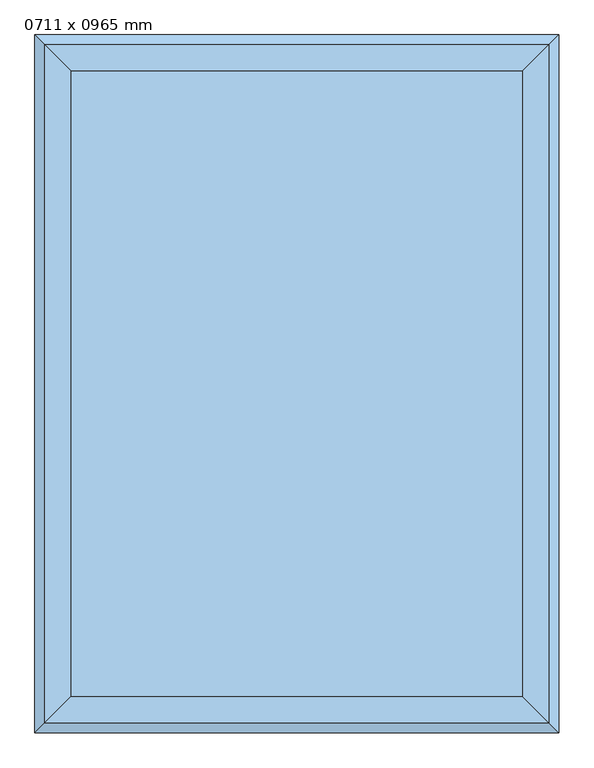
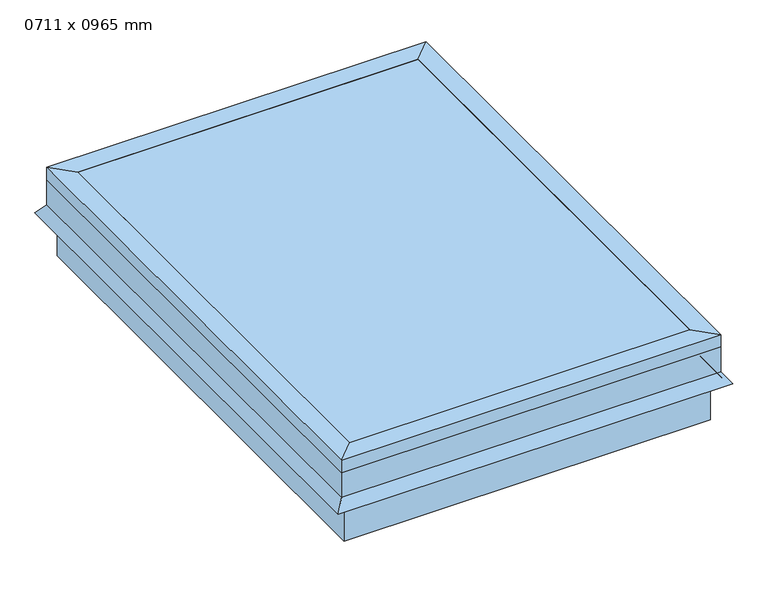
"""IFC4 building model written with IfcOpenShell, lengths in millimetres: window geometry, 0711 x 0965 mm."""

from ifc_helpers import new_model, si_unit, frame, origin, place, context, project, spatial, polyline, outline, extrude, faceted_brep, source, transform, mapped, element, save


def window_0711_x_0965_mm_1f585deb(model_context):
    return source(origin(), model_context, "Body", "SolidModel", [
        faceted_brep([(254.440073, 370.1040988, 4210.0), (279.840073, 395.5040988, 4210.0), (279.840073, -569.4959012, 4210.0), (254.440073, -544.0959012, 4210.0), (254.440073, 370.1040988, 4235.4), (254.440073, -544.0959012, 4235.4), (292.540073, 408.2040988, 4235.4), (292.540073, -582.1959012, 4235.4), (292.540073, 408.2040988, 4210.0), (292.540073, -582.1959012, 4210.0), (292.540073, 408.2040988, 4159.2), (292.540073, -582.1959012, 4159.2), (307.1089145, 422.7729403, 4138.3935381), (307.1089145, -596.7647427, 4138.3935381), (301.907299, 417.5713248, 4134.7513277), (301.907299, -591.5631272, 4134.7513277), (286.190073, 401.8540988, 4157.1978527), (286.190073, -575.8459012, 4157.1978527), (286.190073, 401.8540988, 4210.0), (286.190073, -575.8459012, 4210.0), (-431.159927, -569.4959012, 4210.0), (-405.759927, -544.0959012, 4210.0), (-405.759927, -544.0959012, 4235.4), (-443.859927, -582.1959012, 4235.4), (-443.859927, -582.1959012, 4210.0), (-443.859927, -582.1959012, 4159.2), (-458.4287685, -596.7647427, 4138.3935381), (-453.227153, -591.5631272, 4134.7513277), (-437.509927, -575.8459012, 4157.1978527), (-437.509927, -575.8459012, 4210.0), (-431.159927, 395.5040988, 4210.0), (-405.759927, 370.1040988, 4210.0), (-405.759927, 370.1040988, 4235.4), (-443.859927, 408.2040988, 4235.4), (-443.859927, 408.2040988, 4210.0), (-443.859927, 408.2040988, 4159.2), (-458.4287685, 422.7729403, 4138.3935381), (-453.227153, 417.5713248, 4134.7513277), (-437.509927, 401.8540988, 4157.1978527), (-437.509927, 401.8540988, 4210.0)], [[[0, 1, 2, 3]], [[4, 0, 3, 5]], [[6, 4, 5, 7]], [[8, 6, 7, 9]], [[10, 8, 9, 11]], [[12, 10, 11, 13]], [[14, 12, 13, 15]], [[16, 14, 15, 17]], [[18, 16, 17, 19]], [[1, 18, 19, 2]], [[3, 2, 20, 21]], [[5, 3, 21, 22]], [[7, 5, 22, 23]], [[9, 7, 23, 24]], [[11, 9, 24, 25]], [[13, 11, 25, 26]], [[15, 13, 26, 27]], [[17, 15, 27, 28]], [[19, 17, 28, 29]], [[2, 19, 29, 20]], [[21, 20, 30, 31]], [[22, 21, 31, 32]], [[23, 22, 32, 33]], [[24, 23, 33, 34]], [[25, 24, 34, 35]], [[26, 25, 35, 36]], [[27, 26, 36, 37]], [[28, 27, 37, 38]], [[29, 28, 38, 39]], [[20, 29, 39, 30]], [[31, 30, 1, 0]], [[32, 31, 0, 4]], [[33, 32, 4, 6]], [[34, 33, 6, 8]], [[35, 34, 8, 10]], [[36, 35, 10, 12]], [[37, 36, 12, 14]], [[38, 37, 14, 16]], [[39, 38, 16, 18]], [[30, 39, 18, 1]]]),
        faceted_brep([(279.840073, -569.4959012, 4210.0), (279.840073, -569.4959012, 4057.6), (279.840073, 395.5040988, 4057.6), (279.840073, 395.5040988, 4210.0), (254.440073, -544.0959012, 4210.0), (254.440073, 370.1040988, 4210.0), (254.440073, -544.0959012, 4184.6), (254.440073, 370.1040988, 4184.6), (235.390073, -525.0459012, 4184.6), (235.390073, 351.0540988, 4184.6), (235.390073, -525.0459012, 4057.6), (235.390073, 351.0540988, 4057.6), (-431.159927, 395.5040988, 4057.6), (-431.159927, 395.5040988, 4210.0), (-405.759927, 370.1040988, 4210.0), (-405.759927, 370.1040988, 4184.6), (-386.709927, 351.0540988, 4184.6), (-386.709927, 351.0540988, 4057.6), (-431.159927, -569.4959012, 4057.6), (-431.159927, -569.4959012, 4210.0), (-405.759927, -544.0959012, 4210.0), (-405.759927, -544.0959012, 4184.6), (-386.709927, -525.0459012, 4184.6), (-386.709927, -525.0459012, 4057.6)], [[[0, 1, 2, 3]], [[4, 0, 3, 5]], [[6, 4, 5, 7]], [[8, 6, 7, 9]], [[10, 8, 9, 11]], [[1, 10, 11, 2]], [[3, 2, 12, 13]], [[5, 3, 13, 14]], [[7, 5, 14, 15]], [[9, 7, 15, 16]], [[11, 9, 16, 17]], [[2, 11, 17, 12]], [[13, 12, 18, 19]], [[14, 13, 19, 20]], [[15, 14, 20, 21]], [[16, 15, 21, 22]], [[17, 16, 22, 23]], [[12, 17, 23, 18]], [[19, 18, 1, 0]], [[20, 19, 0, 4]], [[21, 20, 4, 6]], [[22, 21, 6, 8]], [[23, 22, 8, 10]], [[18, 23, 10, 1]]]),
        extrude(outline(polyline([(254.440073, -544.0959012), (-405.759927, -544.0959012), (-405.759927, 370.1040988), (254.440073, 370.1040988), (254.440073, -544.0959012)])), frame((0.0, 0.0, 4229.05), z_axis=(0.0, 0.0, 1.0), x_axis=(1.0, 0.0, 0.0)), (0.0, 0.0, 1.0), 6.35),
    ])


if __name__ == "__main__":
    model = new_model("IFC4")
    model_context = context("Model", 3, world=origin())
    ifc_project = project(units=[si_unit("LENGTHUNIT", "METRE", prefix="MILLI")], contexts=[model_context])
    site = spatial("IfcSite", under=ifc_project)
    building = spatial("IfcBuilding", under=site)
    placement = place(None, origin())
    window_0711_x_0965_mm_shape = window_0711_x_0965_mm_1f585deb(model_context)
    element("IfcWindow", 1, ObjectType="0711 x 0965 mm", at=placement, inside=building, context=model_context, shape_type="MappedRepresentation", body=[
        mapped(window_0711_x_0965_mm_shape, transform((0.0, 0.0, 0.0), x_axis=(1.0, 0.0, 0.0), y_axis=(0.0, 1.0, 0.0), z_axis=(0.0, 0.0, 1.0))),
    ])
    save(model, "model.ifc")
